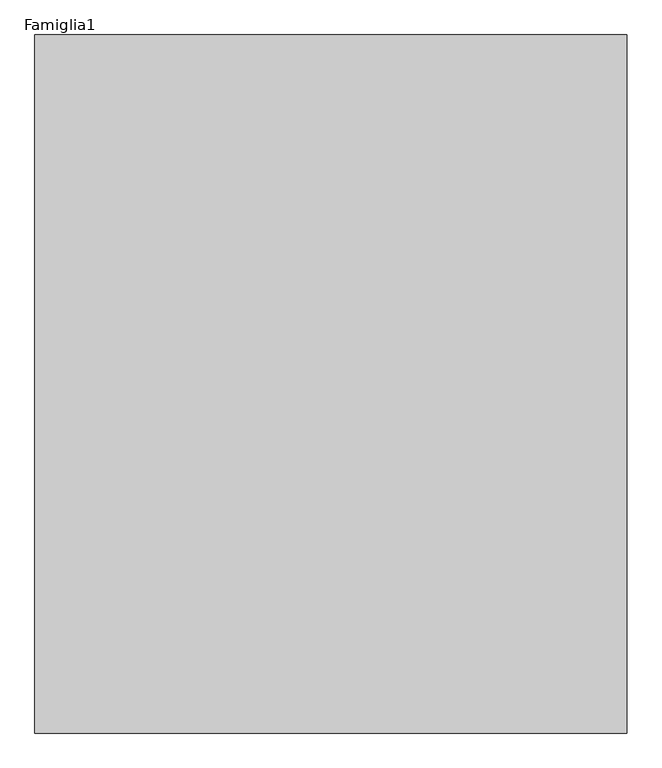
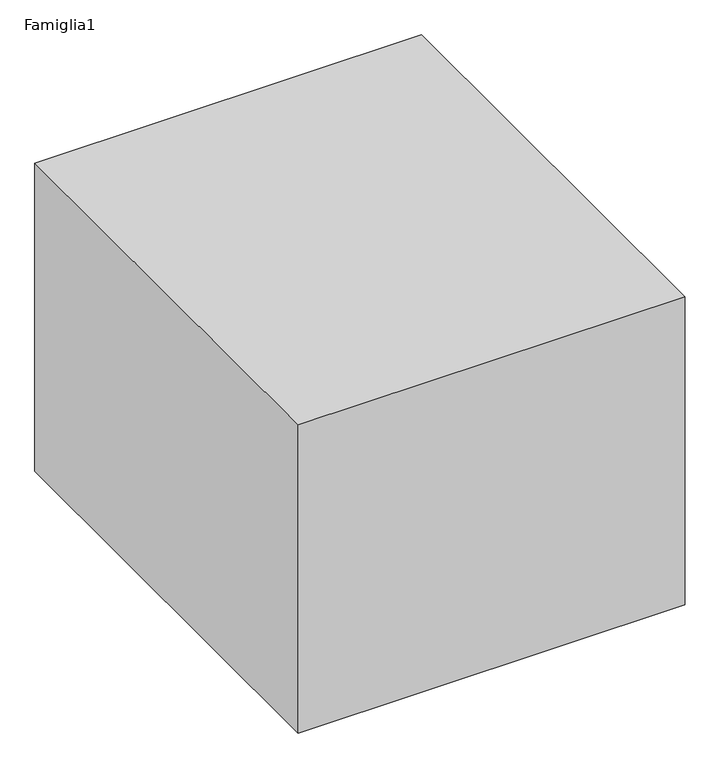
"""IFC4 building model written with IfcOpenShell, lengths in millimetres: proxy geometry, Famiglia1."""

from ifc_helpers import new_model, si_unit, origin, origin_with_axes, place, context, project, spatial, polyline, outline, extrude, source, transform, mapped, element, save


def famiglia1_14f4f344(model_context):
    return source(origin(), model_context, "Body", "SweptSolid", [
        extrude(outline(polyline([(14245.7672013, 16789.9183153), (14245.7672013, 0.0), (0.0, 0.0), (0.0, 16789.9183153), (14245.7672013, 16789.9183153)])), origin_with_axes(), (0.0, 0.0, 1.0), 12000.0),
    ])


if __name__ == "__main__":
    model = new_model("IFC4")
    model_context = context("Model", 3, world=origin())
    ifc_project = project(units=[si_unit("LENGTHUNIT", "METRE", prefix="MILLI")], contexts=[model_context])
    site = spatial("IfcSite", under=ifc_project)
    building = spatial("IfcBuilding", under=site)
    placement = place(None, origin())
    famiglia1_shape = famiglia1_14f4f344(model_context)
    element("IfcBuildingElementProxy", 1, Name="Famiglia1", ObjectType="Famiglia1", at=placement, inside=building, context=model_context, shape_type="MappedRepresentation", body=[
        mapped(famiglia1_shape, transform((0.0, 0.0, 0.0), x_axis=(1.0, 0.0, 0.0), y_axis=(0.0, 1.0, 0.0), z_axis=(0.0, 0.0, 1.0))),
    ])
    save(model, "model.ifc")
